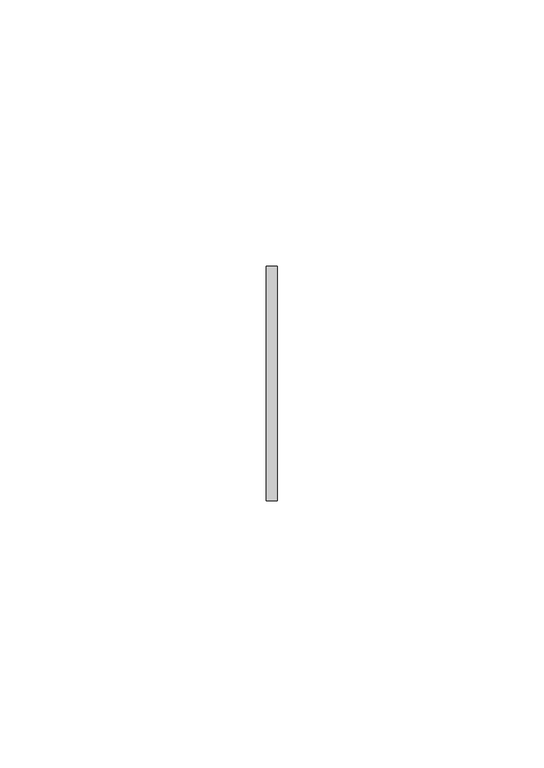
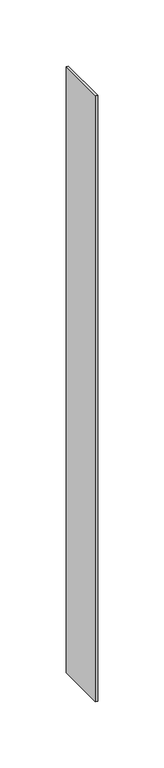
"""IFC4 building model written with IfcOpenShell, lengths in millimetres: member geometry."""

import ifcopenshell
import ifcopenshell.guid

model = None  # the IFC model being written
_history = None  # IfcOwnerHistory: only IFC2X3 demands one
_inside = {}  # id of a spatial element -> (the spatial element, [elements in it])
_under = {}  # id of a project, library or spatial element -> (it, [spatial elements below it])
_declared = {}  # id of a project -> (the project, [libraries it declares])
_typed = {}  # id of a type object -> (the type object, [elements of that type])
_made_of = {}  # id of a material, layer set ... -> (it, [elements and type objects made of it])


def new_model(schema):
    """Start an empty IFC model of exactly this schema.

    Asked for "IFC4X3", IfcOpenShell would pick the latest addendum, in which some entities
    have other attributes; the version numbers below select the first issue.
    IFC2X3 requires an IfcOwnerHistory on every rooted entity: one is made here for all.
    """
    global model, _history
    if schema == "IFC4X3":
        model = ifcopenshell.file(schema_version=(4, 3, 0, 0))
    else:
        model = ifcopenshell.file(schema=schema)
    _inside.clear()
    _under.clear()
    _declared.clear()
    _typed.clear()
    _made_of.clear()
    _history = None
    if model.schema == "IFC2X3":
        org = make("IfcOrganization", Name="unknown")
        user = make(
            "IfcPersonAndOrganization",
            ThePerson=make("IfcPerson", FamilyName="unknown"),
            TheOrganization=org,
        )
        app = make(
            "IfcApplication",
            ApplicationDeveloper=org,
            Version="unknown",
            ApplicationFullName="unknown",
            ApplicationIdentifier="unknown",
        )
        _history = make(
            "IfcOwnerHistory",
            OwningUser=user,
            OwningApplication=app,
            ChangeAction="ADDED",
            CreationDate=0,
        )
    return model


def make(cls, **values):
    """One entity of the class cls with the attributes given. An attribute that is None is left unset."""
    return model.create_entity(
        cls, **{name: value for name, value in values.items() if value is not None}
    )


def rooted(cls, **values):
    """An entity with a GlobalId (a new one), such as an element, a storey or a relation."""
    return make(cls, GlobalId=ifcopenshell.guid.new(), OwnerHistory=_history, **values)


def si_unit(unit_type, name, prefix=None):
    """IfcSIUnit, for example si_unit("LENGTHUNIT", "METRE", prefix="MILLI")."""
    return make("IfcSIUnit", UnitType=unit_type, Prefix=prefix, Name=name)


def assignment(units):
    """IfcUnitAssignment: the units of a project."""
    return None if units is None else make("IfcUnitAssignment", Units=units)


def point(xyz):
    """IfcCartesianPoint."""
    return None if xyz is None else make("IfcCartesianPoint", Coordinates=xyz)


def direction(xyz):
    """IfcDirection."""
    return None if xyz is None else make("IfcDirection", DirectionRatios=xyz)


def frame(location, z_axis=None, x_axis=None):
    """IfcAxis2Placement3D, a coordinate frame: its origin and axes. An axis left out is left unset."""
    return make(
        "IfcAxis2Placement3D",
        Location=point(location),
        Axis=direction(z_axis),
        RefDirection=direction(x_axis),
    )


def origin():
    """The frame at (0, 0, 0) with its axes left unset."""
    return frame((0.0, 0.0, 0.0))


def place(relative_to, where):
    """IfcLocalPlacement: puts the frame where relative to a parent placement (None: the world)."""
    return make(
        "IfcLocalPlacement", PlacementRelTo=relative_to, RelativePlacement=where
    )


def context(
    kind, dimensions, precision=None, world=None, true_north=None, identifier=None
):
    """IfcGeometricRepresentationContext, for example the 3D "Model" context."""
    return make(
        "IfcGeometricRepresentationContext",
        ContextIdentifier=identifier,
        ContextType=kind,
        CoordinateSpaceDimension=dimensions,
        Precision=precision,
        WorldCoordinateSystem=world,
        TrueNorth=true_north,
    )


def project(units=None, contexts=None):
    """IfcProject with its units and contexts."""
    return rooted(
        "IfcProject",
        Name="project",
        RepresentationContexts=contexts,
        UnitsInContext=assignment(units),
    )


def spatial(cls, under=None, at=None, **own):
    """A site, building, storey or space (cls), placed at a placement, below another one or the project."""
    s = rooted(cls, ObjectPlacement=at, **own)
    if under is not None:
        _under.setdefault(under.id(), (under, []))[1].append(s)
    return s


def polyline(points):
    """IfcPolyline through the points."""
    return make("IfcPolyline", Points=[point(p) for p in points])


def outline(outer, holes=None, kind="AREA"):
    """IfcArbitraryClosedProfileDef: a profile drawn as a closed curve; with holes, ...WithVoids."""
    if holes is None:
        return make("IfcArbitraryClosedProfileDef", ProfileType=kind, OuterCurve=outer)
    return make(
        "IfcArbitraryProfileDefWithVoids",
        ProfileType=kind,
        OuterCurve=outer,
        InnerCurves=holes,
    )


def extrude(swept, where, along, depth):
    """IfcExtrudedAreaSolid: the profile swept, set in the frame where, extruded along a direction by depth."""
    return make(
        "IfcExtrudedAreaSolid",
        SweptArea=swept,
        Position=where,
        ExtrudedDirection=direction(along),
        Depth=depth,
    )


def shape(context_of_items, identifier, shape_type, items):
    """IfcShapeRepresentation: the items that make up one representation, for example the "Body"."""
    return make(
        "IfcShapeRepresentation",
        ContextOfItems=context_of_items,
        RepresentationIdentifier=identifier,
        RepresentationType=shape_type,
        Items=items,
    )


def source(mapping_origin, context_of_items, identifier, shape_type, items):
    """IfcRepresentationMap: a shape defined once, which mapped items show again and again."""
    return make(
        "IfcRepresentationMap",
        MappingOrigin=mapping_origin,
        MappedRepresentation=shape(context_of_items, identifier, shape_type, items),
    )


def transform(
    local_origin,
    x_axis=None,
    y_axis=None,
    z_axis=None,
    scale=None,
    scale2=None,
    scale3=None,
    uniform=True,
):
    """IfcCartesianTransformationOperator3D, or its non-uniform kind. x_axis, y_axis, z_axis: its Axis1, 2, 3."""
    if uniform:
        return make(
            "IfcCartesianTransformationOperator3D",
            Axis1=direction(x_axis),
            Axis2=direction(y_axis),
            LocalOrigin=point(local_origin),
            Scale=scale,
            Axis3=direction(z_axis),
        )
    return make(
        "IfcCartesianTransformationOperator3DnonUniform",
        Axis1=direction(x_axis),
        Axis2=direction(y_axis),
        LocalOrigin=point(local_origin),
        Scale=scale,
        Axis3=direction(z_axis),
        Scale2=scale2,
        Scale3=scale3,
    )


def mapped(mapping_source, mapping_target):
    """IfcMappedItem: shows the shape of a source again, moved by a transform."""
    return make(
        "IfcMappedItem", MappingSource=mapping_source, MappingTarget=mapping_target
    )


def made_of(thing, what):
    """Note that an element or type object is made of a material, layer set ...; save() writes the relation."""
    if what is not None:
        _made_of.setdefault(what.id(), (what, []))[1].append(thing)
    return thing


def element(
    cls,
    number,
    at=None,
    inside=None,
    cuts=None,
    type_object=None,
    material=None,
    context=None,
    identifier="Body",
    shape_type=None,
    held_by="IfcProductDefinitionShape",
    body=None,
    shapes=None,
    **own,
):
    """One element of the class cls, such as IfcWall. Its Tag is "e" and its number.

    at: its placement. inside: the storey or other place that contains it. cuts: it is an
    opening in that element (IfcRelVoidsElement). A single representation is given by context,
    identifier, shape_type and body (its items); several are given by shapes. held_by: the class
    of the entity that holds the representations. save() writes the other relations.
    """
    e = rooted(cls, Tag="e%d" % number, ObjectPlacement=at, **own)
    if body is not None:
        shapes = [shape(context, identifier, shape_type, body)]
    if shapes is not None:
        e.Representation = make(held_by, Representations=shapes)
    if inside is not None:
        _inside.setdefault(inside.id(), (inside, []))[1].append(e)
    if cuts is not None:
        rooted(
            "IfcRelVoidsElement", RelatingBuildingElement=cuts, RelatedOpeningElement=e
        )
    if type_object is not None:
        _typed.setdefault(type_object.id(), (type_object, []))[1].append(e)
    return made_of(e, material)


def aggregate(whole, parts):
    """IfcRelAggregates: a whole, such as a stair, and the parts it consists of."""
    return rooted("IfcRelAggregates", RelatingObject=whole, RelatedObjects=parts)


def save(model, path):
    """Write the relations noted so far, then the file.

    IfcRelAggregates (storeys below a building ...), IfcRelContainedInSpatialStructure (elements
    in a storey), IfcRelDefinesByType, IfcRelAssociatesMaterial and IfcRelDeclares: one each for
    every whole, place, type object, material and project.
    """
    for whole, parts in _under.values():
        aggregate(whole, parts)
    for where, things in _inside.values():
        rooted(
            "IfcRelContainedInSpatialStructure",
            RelatedElements=things,
            RelatingStructure=where,
        )
    for kind, things in _typed.values():
        rooted("IfcRelDefinesByType", RelatedObjects=things, RelatingType=kind)
    for what, things in _made_of.values():
        rooted("IfcRelAssociatesMaterial", RelatedObjects=things, RelatingMaterial=what)
    for by, libraries in _declared.values():
        rooted("IfcRelDeclares", RelatingContext=by, RelatedDefinitions=libraries)
    model.write(path)


def member_81a54e6e(model_context):
    return source(origin(), model_context, "Body", "SweptSolid", [
        extrude(outline(polyline([(1.0, 22.0), (1.0, -22.0), (-1.0, -22.0), (-1.0, 22.0), (1.0, 22.0)])), frame((0.0, 0.0, -559.0), z_axis=(0.0, 0.0, 1.0), x_axis=(1.0, 0.0, 0.0)), (0.0, 0.0, 1.0), 559.0),
    ])


if __name__ == "__main__":
    model = new_model("IFC4")
    model_context = context("Model", 3, world=origin())
    ifc_project = project(units=[si_unit("LENGTHUNIT", "METRE", prefix="MILLI")], contexts=[model_context])
    site = spatial("IfcSite", under=ifc_project)
    building = spatial("IfcBuilding", under=site)
    placement = place(None, origin())
    member_shape = member_81a54e6e(model_context)
    element("IfcMember", 1, at=placement, inside=building, context=model_context, shape_type="MappedRepresentation", body=[
        mapped(member_shape, transform((0.0, 0.0, 0.0), x_axis=(1.0, 0.0, 0.0), y_axis=(0.0, 1.0, 0.0), z_axis=(0.0, 0.0, 1.0))),
    ])
    save(model, "model.ifc")
